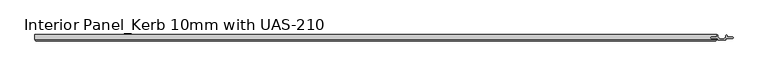
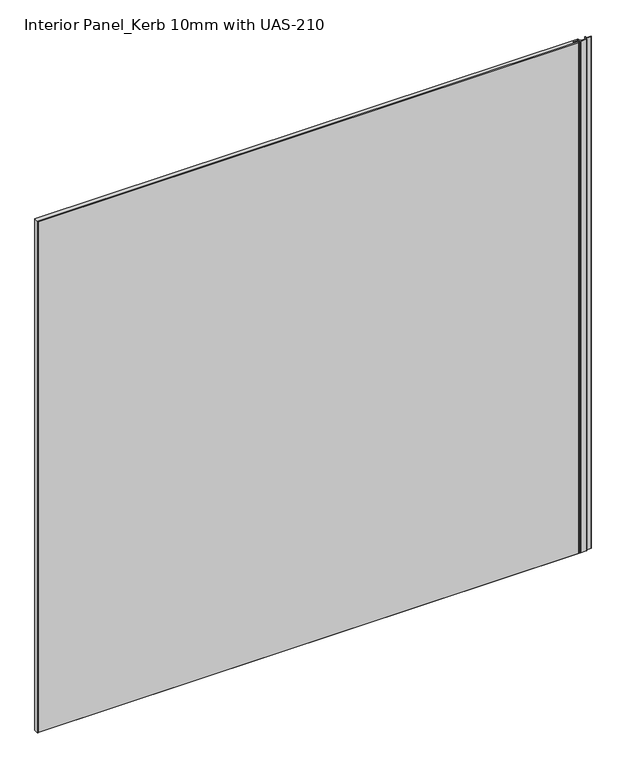
"""IFC4 building model written with IfcOpenShell, lengths in millimetres: proxy geometry, Interior Panel_Kerb 10mm with UAS-210."""

from ifc_helpers import new_model, si_unit, point, frame_2d, origin, origin_with_axes, place, context, project, spatial, polyline, circle_curve, trimmed, segment, composite_curve, outline, extrude, faceted_brep, source, transform, mapped, element, save


def interior_panel_kerb_10mm_with_uas_210_fa606704(model_context):
    return source(origin(), model_context, "Body", "SolidModel", [
        extrude(outline(composite_curve([segment(trimmed(circle_curve(frame_2d((703.2625, 1.6462921)), 0.79375), [point((702.46875, 1.6462921))], [point((704.05625, 1.6462921))], False, "CARTESIAN"), True, "CONTINUOUS"), segment(polyline([(704.05625, 1.6462921), (704.05625, -0.5207), (712.78115, -0.5207)]), True, "CONTINUOUS"), segment(trimmed(circle_curve(frame_2d((712.452179, -1.5875)), 1.116371), [point((712.78115, -0.5207))], [point((712.78115, -2.6543))], False, "CARTESIAN"), True, "CONTINUOUS"), segment(polyline([(712.78115, -2.6543), (702.46875, -2.6543), (702.46875, -4.7770647)]), True, "CONTINUOUS"), segment(trimmed(circle_curve(frame_2d((701.8640295, -4.7770647)), 0.6047205), [point((702.46875, -4.7770647))], [point((701.8640295, -5.3817852))], False, "CARTESIAN"), True, "CONTINUOUS"), segment(polyline([(701.8640295, -5.3817852), (690.3734705, -5.3817852)]), True, "CONTINUOUS"), segment(trimmed(circle_curve(frame_2d((690.3734705, -4.7770647)), 0.6047205), [point((690.3734705, -5.3817852))], [point((689.76875, -4.7770647))], False, "CARTESIAN"), True, "CONTINUOUS"), segment(polyline([(689.76875, -4.7770647), (689.76875, -2.6543), (679.45635, -2.6543)]), True, "CONTINUOUS"), segment(trimmed(circle_curve(frame_2d((679.785321, -1.5875)), 1.116371), [point((679.45635, -2.6543))], [point((679.45635, -0.5207))], False, "CARTESIAN"), True, "CONTINUOUS"), segment(polyline([(679.45635, -0.5207), (688.18125, -0.5207), (688.18125, 1.6462921)]), True, "CONTINUOUS"), segment(trimmed(circle_curve(frame_2d((688.975, 1.6462921)), 0.79375), [point((688.18125, 1.6462921))], [point((689.76875, 1.6462921))], False, "CARTESIAN"), True, "CONTINUOUS"), segment(polyline([(689.76875, 1.6462921), (689.76875, 0.3263323)]), True, "CONTINUOUS"), segment(trimmed(circle_curve(frame_2d((696.11875, 3.1587975)), 6.9530827), [point((689.76875, 0.3263323))], [point((702.46875, 0.3263323))], True, "CARTESIAN"), True, "CONTINUOUS"), segment(polyline([(702.46875, 0.3263323), (702.46875, 1.6462921)]), True, "CONTINUOUS")], self_intersect=False)), origin_with_axes(), (0.0, 0.0, 1.0), 1063.625),
        faceted_brep([(688.18125, 3.175, 1063.625), (-377.825, 3.175, 1063.625), (-377.825, -4.7625, 1063.625), (688.18125, -4.7625, 1063.625), (688.18125, -2.6543, 1063.625), (678.3585938, -2.6543, 1063.625), (678.3585938, -0.5207, 1063.625), (688.18125, -0.5207, 1063.625), (688.18125, 3.175, 0.0), (688.18125, -0.5207, 0.0), (678.3585938, -0.5207, 0.0), (678.3585938, -2.6543, 0.0), (688.18125, -2.6543, 0.0), (688.18125, -4.7625, 0.0), (-377.825, -4.7625, 0.0), (-377.825, 3.175, 0.0), (-376.2375, -6.35, 1062.0375), (-376.2375, -6.35, 1.5875), (686.59375, -6.35, 1.5875), (686.59375, -6.35, 1062.0375)], [[[0, 1, 2, 3, 4, 5, 6, 7]], [[8, 9, 10, 11, 12, 13, 14, 15]], [[1, 0, 8, 15]], [[2, 1, 15, 14]], [[16, 17, 18, 19]], [[4, 3, 13, 12]], [[2, 14, 17, 16]], [[13, 3, 19, 18]], [[3, 2, 16, 19]], [[14, 13, 18, 17]], [[5, 4, 12, 11]], [[6, 5, 11, 10]], [[7, 6, 10, 9]], [[0, 7, 9, 8]]]),
    ])


if __name__ == "__main__":
    model = new_model("IFC4")
    model_context = context("Model", 3, world=origin())
    ifc_project = project(units=[si_unit("LENGTHUNIT", "METRE", prefix="MILLI")], contexts=[model_context])
    site = spatial("IfcSite", under=ifc_project)
    building = spatial("IfcBuilding", under=site)
    placement = place(None, origin())
    interior_panel_kerb_10mm_with_uas_210_shape = interior_panel_kerb_10mm_with_uas_210_fa606704(model_context)
    element("IfcBuildingElementProxy", 1, Name="Interior Panel_Kerb 10mm with UAS-210", ObjectType="Interior Panel_Kerb 10mm with UAS-210", at=placement, inside=building, context=model_context, shape_type="MappedRepresentation", body=[
        mapped(interior_panel_kerb_10mm_with_uas_210_shape, transform((0.0, 0.0, 0.0), x_axis=(1.0, 0.0, 0.0), y_axis=(0.0, 1.0, 0.0), z_axis=(0.0, 0.0, 1.0))),
    ])
    save(model, "model.ifc")
